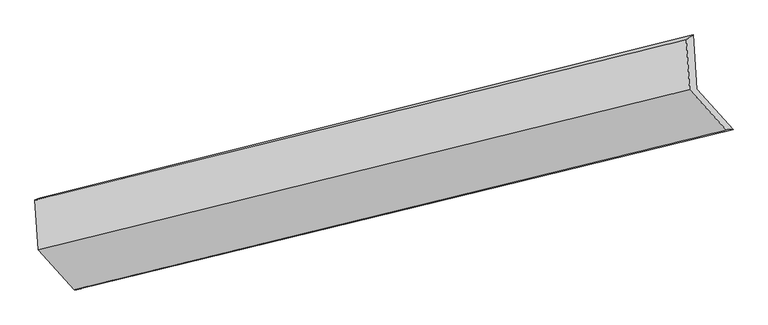
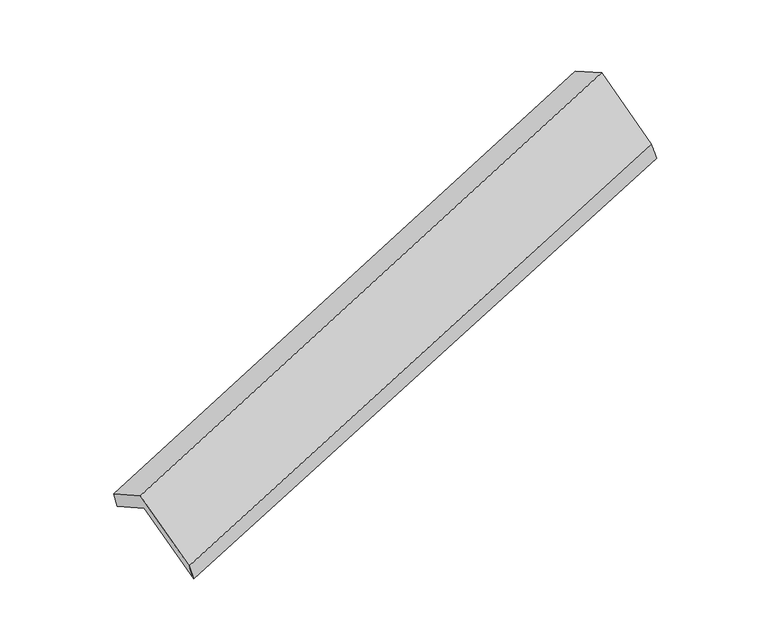
"""IFC4 building model written with IfcOpenShell, lengths in millimetres: proxy geometry."""

from ifc_helpers import new_model, si_unit, frame, origin, place, context, project, spatial, source, transform, mapped, element, save
from ifc_brep_helpers import plane_surface, spline_surface, advanced_brep


def generic_models_af3d0697(model_context):
    return source(origin(), model_context, "Body", "AdvancedBrep", [
        advanced_brep(
        [(-4936.6372616, -2363.5451641, 805.1255033), (-5191.0735143, -2083.2949188, 1357.883396), (-639.7266854, -972.14452, 2853.1660104), (-385.2904327, -1252.3947654, 2300.4081177), (-5214.481122, -1730.2014093, 1168.0891154), (-664.8830739, -592.6714162, 2649.1922107), (-5255.248101, -1746.0376317, 1301.3115286), (-711.4970669, -626.5208019, 2813.095862), (-5232.0820019, -2095.4880916, 1489.1476028), (-688.3309677, -975.9712618, 3000.9319362), (-4980.2649332, -2372.8534219, 942.0798372), (-432.7160016, -1257.5198077, 2445.6133111)],
        [
            (0, 1),
            (1, 2),
            (2, 3),
            (3, 0),
            (1, 4),
            (4, 5),
            (5, 2),
            (4, 6),
            (6, 7),
            (7, 5),
            (6, 8),
            (8, 9),
            (9, 7),
            (8, 10),
            (10, 11),
            (11, 9),
            (10, 0),
            (3, 11),
        ],
        [
            plane_surface(frame((-5063.855388, -2223.4200414, 1081.5044497), z_axis=(-0.05923134085860593, 0.8790879503851747, -0.47296514009775), x_axis=(-0.3797897427564352, 0.4183215538459476, 0.8250859524224812))),
            plane_surface(frame((-5202.7773181, -1906.7481641, 1262.9862557), z_axis=(0.3741507382896675, -0.41970220818409587, -0.8269590567148355), x_axis=(-0.05829269769257875, 0.8793198153685947, -0.4726506359837699))),
            spline_surface(1, 1, [[(-5214.481122, -1730.2014093, 1168.0891154), (-664.8830739, -592.6714162, 2649.1922107)], [(-5255.248101, -1746.0376317, 1301.3115286), (-711.4970669, -626.5208019, 2813.095862)]], [2, 2], [2, 2], [0.0, 1.0], [0.0, 1.0]),
            plane_surface(frame((-5243.6650514, -1920.7628616, 1395.2295657), z_axis=(-0.37791161388201844, 0.4187835092630552, 0.8257137424449281), x_axis=(0.05829269769253794, -0.8793198153686013, 0.4726506359837629))),
            plane_surface(frame((-5106.1734675, -2234.1707567, 1215.61372), z_axis=(0.05923134085860887, -0.8790879503851778, 0.4729651400977438), x_axis=(0.3797897427564263, -0.41832155384594305, -0.8250859524224875))),
            spline_surface(1, 1, [[(-4980.2649332, -2372.8534219, 942.0798372), (-432.7160016, -1257.5198077, 2445.6133111)], [(-4936.6372616, -2363.5451641, 805.1255033), (-385.2904327, -1252.3947654, 2300.4081177)]], [2, 2], [2, 2], [0.0, 1.0], [0.0, 1.0]),
            plane_surface(frame((-587.074038, -946.2037621, 2677.067908), z_axis=(0.9232343758183701, 0.2276043494488431, 0.30957155460286323), x_axis=(0.3797897427564263, -0.41832155384594305, -0.8250859524224875))),
            plane_surface(frame((-5134.964489, -2065.2367729, 1177.2728306), z_axis=(-0.92323437581837, -0.22760434944885147, -0.30957155460285785), x_axis=(-0.30289321266616087, -0.06462430874033537, 0.950830900024082))),
        ],
        [
            (0, [[1, 2, 3, 4]]),
            (1, [[5, 6, 7, -2]]),
            (2, [[8, 9, 10, -6]]),
            (3, [[11, 12, 13, -9]]),
            (4, [[14, 15, 16, -12]]),
            (5, [[17, -4, 18, -15]]),
            (6, [[-16, -18, -3, -7, -10, -13]]),
            (7, [[-17, -14, -11, -8, -5, -1]]),
        ],
    ),
    ])


if __name__ == "__main__":
    model = new_model("IFC4")
    model_context = context("Model", 3, world=origin())
    ifc_project = project(units=[si_unit("LENGTHUNIT", "METRE", prefix="MILLI")], contexts=[model_context])
    site = spatial("IfcSite", under=ifc_project)
    building = spatial("IfcBuilding", under=site)
    placement = place(None, origin())
    generic_models_shape = generic_models_af3d0697(model_context)
    element("IfcBuildingElementProxy", 1, Name="Generic Models", at=placement, inside=building, context=model_context, shape_type="MappedRepresentation", body=[
        mapped(generic_models_shape, transform((0.0, 0.0, 0.0), x_axis=(1.0, 0.0, 0.0), y_axis=(0.0, 1.0, 0.0), z_axis=(0.0, 0.0, 1.0))),
    ])
    save(model, "model.ifc")
